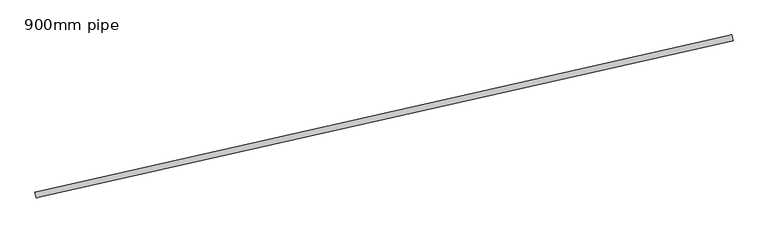
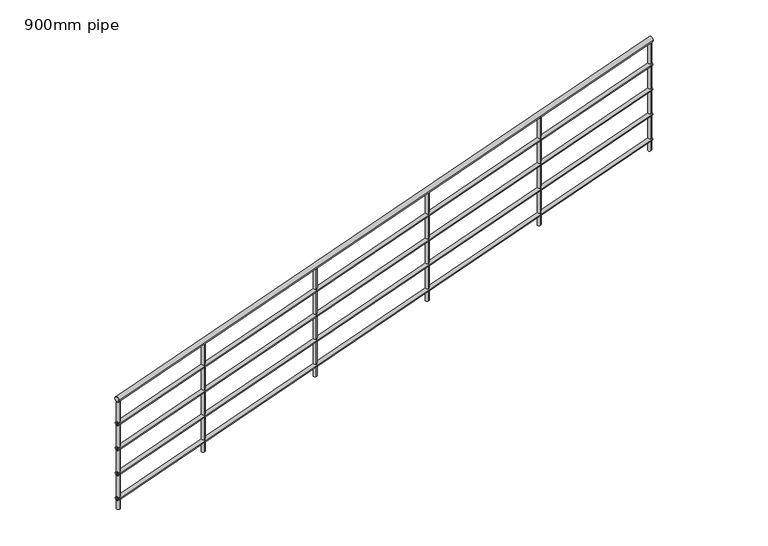
"""IFC4 building model written with IfcOpenShell, lengths in millimetres: railing geometry, 900mm pipe."""

from ifc_helpers import new_model, si_unit, frame, origin, place, context, project, spatial, ellipse_curve, source, transform, mapped, element, save
from ifc_brep_helpers import plane_surface, cylinder_surface, advanced_brep


def railing_900mm_pipe_159dfbff(model_context):
    return source(origin(), model_context, "Body", "AdvancedBrep", [
        advanced_brep(
        [(-2182.1023588, 6218.0215053, 750.9605527), (-2190.9010516, 6257.041795, 750.9605527), (-6836.2591036, 5168.5547884, 129.964723), (-6845.0577963, 5207.575078, 129.964723)],
        [
            (0, 1, ellipse_curve(frame((-2186.5017052, 6237.5316502, 750.9605527), z_axis=(0.9755072416374729, 0.21996731919275922, 0.0), x_axis=(0.0, 0.0, 1.0)), 20.1687052, 20.0)),
            (1, 0, ellipse_curve(frame((-2186.5017052, 6237.5316502, 750.9605527), z_axis=(0.9755072416374729, 0.21996731919275922, 0.0), x_axis=(0.0, 0.0, 1.0)), 20.1687052, 20.0)),
            (2, 3, ellipse_curve(frame((-6840.6584499, 5188.0649332, 129.964723), z_axis=(-0.9755072416374729, -0.21996731919275922, 0.0), x_axis=(0.0, 0.0, 1.0)), 20.1687052, 20.0)),
            (3, 2, ellipse_curve(frame((-6840.6584499, 5188.0649332, 129.964723), z_axis=(-0.9755072416374729, -0.21996731919275922, 0.0), x_axis=(0.0, 0.0, 1.0)), 20.1687052, 20.0)),
            (0, 2),
            (3, 1),
        ],
        [
            plane_surface(frame((-2186.5017052, 6237.5316502, 771.1292579), z_axis=(0.9755072416374729, 0.21996731919275922, 0.0), x_axis=(0.21996731919275922, -0.9755072416374729, 0.0))),
            plane_surface(frame((-6840.6584499, 5188.0649332, 150.1334282), z_axis=(-0.9755072416374729, -0.21996731919275922, 0.0), x_axis=(0.21996731919275922, -0.9755072416374729, 0.0))),
            cylinder_surface(frame((-2183.9835028, 6238.0994801, 751.2965519), z_axis=(0.9673474139235202, 0.2181273580415739, 0.1290714393244331), x_axis=(-0.21996731919275928, 0.9755072416374728, 0.0)), 20.0),
        ],
        [
            (0, [[1, 2]]),
            (1, [[3, 4]]),
            (2, [[-1, 5, -4, 6]]),
            (2, [[-2, -6, -3, -5]]),
        ],
    ),
        advanced_brep(
        [(-2183.2021954, 6222.8990415, 556.002729), (-2189.801215, 6252.1642588, 556.002729), (-6837.3589402, 5173.4323246, -64.9931007), (-6843.9579597, 5202.6975418, -64.9931007)],
        [
            (0, 1, ellipse_curve(frame((-2186.5017052, 6237.5316502, 556.002729), z_axis=(0.9755072416374729, 0.21996731919275922, 0.0), x_axis=(0.0, 0.0, 1.0)), 15.1265289, 15.0)),
            (1, 0, ellipse_curve(frame((-2186.5017052, 6237.5316502, 556.002729), z_axis=(0.9755072416374729, 0.21996731919275922, 0.0), x_axis=(0.0, 0.0, 1.0)), 15.1265289, 15.0)),
            (2, 3, ellipse_curve(frame((-6840.6584499, 5188.0649332, -64.9931007), z_axis=(-0.9755072416374729, -0.21996731919275922, 0.0), x_axis=(0.0, 0.0, 1.0)), 15.1265289, 15.0)),
            (3, 2, ellipse_curve(frame((-6840.6584499, 5188.0649332, -64.9931007), z_axis=(-0.9755072416374729, -0.21996731919275922, 0.0), x_axis=(0.0, 0.0, 1.0)), 15.1265289, 15.0)),
            (0, 2),
            (3, 1),
        ],
        [
            plane_surface(frame((-2186.5017052, 6237.5316502, 571.1292579), z_axis=(0.9755072416374729, 0.21996731919275922, 0.0), x_axis=(0.21996731919275922, -0.9755072416374729, 0.0))),
            plane_surface(frame((-6840.6584499, 5188.0649332, -49.8665718), z_axis=(-0.9755072416374729, -0.21996731919275922, 0.0), x_axis=(0.21996731919275922, -0.9755072416374729, 0.0))),
            cylinder_surface(frame((-2184.6130534, 6237.9575226, 556.2547284), z_axis=(0.9673474139235202, 0.2181273580415739, 0.1290714393244331), x_axis=(-0.21996731919275928, 0.9755072416374728, 0.0)), 15.0),
        ],
        [
            (0, [[1, 2]]),
            (1, [[3, 4]]),
            (2, [[-1, 5, -4, 6]]),
            (2, [[-2, -6, -3, -5]]),
        ],
    ),
        advanced_brep(
        [(-2183.2021954, 6222.8990415, 356.002729), (-2189.801215, 6252.1642588, 356.002729), (-6837.3589402, 5173.4323246, -264.9931007), (-6843.9579597, 5202.6975418, -264.9931007)],
        [
            (0, 1, ellipse_curve(frame((-2186.5017052, 6237.5316502, 356.002729), z_axis=(0.9755072416374729, 0.21996731919275922, 0.0), x_axis=(0.0, 0.0, 1.0)), 15.1265289, 15.0)),
            (1, 0, ellipse_curve(frame((-2186.5017052, 6237.5316502, 356.002729), z_axis=(0.9755072416374729, 0.21996731919275922, 0.0), x_axis=(0.0, 0.0, 1.0)), 15.1265289, 15.0)),
            (2, 3, ellipse_curve(frame((-6840.6584499, 5188.0649332, -264.9931007), z_axis=(-0.9755072416374729, -0.21996731919275922, 0.0), x_axis=(0.0, 0.0, 1.0)), 15.1265289, 15.0)),
            (3, 2, ellipse_curve(frame((-6840.6584499, 5188.0649332, -264.9931007), z_axis=(-0.9755072416374729, -0.21996731919275922, 0.0), x_axis=(0.0, 0.0, 1.0)), 15.1265289, 15.0)),
            (0, 2),
            (3, 1),
        ],
        [
            plane_surface(frame((-2186.5017052, 6237.5316502, 371.1292579), z_axis=(0.9755072416374729, 0.21996731919275922, 0.0), x_axis=(0.21996731919275922, -0.9755072416374729, 0.0))),
            plane_surface(frame((-6840.6584499, 5188.0649332, -249.8665718), z_axis=(-0.9755072416374729, -0.21996731919275922, 0.0), x_axis=(0.21996731919275922, -0.9755072416374729, 0.0))),
            cylinder_surface(frame((-2184.6130534, 6237.9575226, 356.2547284), z_axis=(0.9673474139235202, 0.2181273580415739, 0.1290714393244331), x_axis=(-0.21996731919275928, 0.9755072416374728, 0.0)), 15.0),
        ],
        [
            (0, [[1, 2]]),
            (1, [[3, 4]]),
            (2, [[-1, 5, -4, 6]]),
            (2, [[-2, -6, -3, -5]]),
        ],
    ),
        advanced_brep(
        [(-2183.2021954, 6222.8990415, 156.002729), (-2189.801215, 6252.1642588, 156.002729), (-6837.3589402, 5173.4323246, -464.9931007), (-6843.9579597, 5202.6975418, -464.9931007)],
        [
            (0, 1, ellipse_curve(frame((-2186.5017052, 6237.5316502, 156.002729), z_axis=(0.9755072416374729, 0.21996731919275922, 0.0), x_axis=(0.0, 0.0, 1.0)), 15.1265289, 15.0)),
            (1, 0, ellipse_curve(frame((-2186.5017052, 6237.5316502, 156.002729), z_axis=(0.9755072416374729, 0.21996731919275922, 0.0), x_axis=(0.0, 0.0, 1.0)), 15.1265289, 15.0)),
            (2, 3, ellipse_curve(frame((-6840.6584499, 5188.0649332, -464.9931007), z_axis=(-0.9755072416374729, -0.21996731919275922, 0.0), x_axis=(0.0, 0.0, 1.0)), 15.1265289, 15.0)),
            (3, 2, ellipse_curve(frame((-6840.6584499, 5188.0649332, -464.9931007), z_axis=(-0.9755072416374729, -0.21996731919275922, 0.0), x_axis=(0.0, 0.0, 1.0)), 15.1265289, 15.0)),
            (0, 2),
            (3, 1),
        ],
        [
            plane_surface(frame((-2186.5017052, 6237.5316502, 171.1292579), z_axis=(0.9755072416374729, 0.21996731919275922, 0.0), x_axis=(0.21996731919275922, -0.9755072416374729, 0.0))),
            plane_surface(frame((-6840.6584499, 5188.0649332, -449.8665718), z_axis=(-0.9755072416374729, -0.21996731919275922, 0.0), x_axis=(0.21996731919275922, -0.9755072416374729, 0.0))),
            cylinder_surface(frame((-2184.6130534, 6237.9575226, 156.2547284), z_axis=(0.9673474139235202, 0.2181273580415739, 0.1290714393244331), x_axis=(-0.21996731919275928, 0.9755072416374728, 0.0)), 15.0),
        ],
        [
            (0, [[1, 2]]),
            (1, [[3, 4]]),
            (2, [[-1, 5, -4, 6]]),
            (2, [[-2, -6, -3, -5]]),
        ],
    ),
        advanced_brep(
        [(-2183.2021954, 6222.8990415, -43.997271), (-2189.801215, 6252.1642588, -43.997271), (-6837.3589402, 5173.4323246, -664.9931007), (-6843.9579597, 5202.6975418, -664.9931007)],
        [
            (0, 1, ellipse_curve(frame((-2186.5017052, 6237.5316502, -43.997271), z_axis=(0.9755072416374729, 0.21996731919275922, 0.0), x_axis=(0.0, 0.0, 1.0)), 15.1265289, 15.0)),
            (1, 0, ellipse_curve(frame((-2186.5017052, 6237.5316502, -43.997271), z_axis=(0.9755072416374729, 0.21996731919275922, 0.0), x_axis=(0.0, 0.0, 1.0)), 15.1265289, 15.0)),
            (2, 3, ellipse_curve(frame((-6840.6584499, 5188.0649332, -664.9931007), z_axis=(-0.9755072416374729, -0.21996731919275922, 0.0), x_axis=(0.0, 0.0, 1.0)), 15.1265289, 15.0)),
            (3, 2, ellipse_curve(frame((-6840.6584499, 5188.0649332, -664.9931007), z_axis=(-0.9755072416374729, -0.21996731919275922, 0.0), x_axis=(0.0, 0.0, 1.0)), 15.1265289, 15.0)),
            (0, 2),
            (3, 1),
        ],
        [
            plane_surface(frame((-2186.5017052, 6237.5316502, -28.8707421), z_axis=(0.9755072416374729, 0.21996731919275922, 0.0), x_axis=(0.21996731919275922, -0.9755072416374729, 0.0))),
            plane_surface(frame((-6840.6584499, 5188.0649332, -649.8665718), z_axis=(-0.9755072416374729, -0.21996731919275922, 0.0), x_axis=(0.21996731919275922, -0.9755072416374729, 0.0))),
            cylinder_surface(frame((-2184.6130534, 6237.9575226, -43.7452716), z_axis=(0.9673474139235202, 0.2181273580415739, 0.1290714393244331), x_axis=(-0.21996731919275928, 0.9755072416374728, 0.0)), 15.0),
        ],
        [
            (0, [[1, 2]]),
            (1, [[3, 4]]),
            (2, [[-1, 5, -4, 6]]),
            (2, [[-2, -6, -3, -5]]),
        ],
    ),
        advanced_brep(
        [(-6091.2802633, 5369.8562139, 210.4884956), (-6091.2802633, 5369.8562139, -649.5115044), (-6085.7810803, 5345.4685329, -649.5115044), (-6085.7810803, 5345.4685329, 210.4884956)],
        [
            (0, 1),
            (1, 2, ellipse_curve(frame((-6088.5306718, 5357.6623734, -649.5115044), z_axis=(-0.1259321543512439, -0.02839646617724072, 0.9916323578872864), x_axis=(0.96734454616109, 0.21812671138926115, 0.12909402306420142)), 12.6054781, 12.5)),
            (2, 3),
            (3, 0, ellipse_curve(frame((-6088.5306718, 5357.6623734, 210.4884956), z_axis=(0.1259321543512451, 0.02839646617724099, -0.9916323578872863), x_axis=(0.9673445461610899, 0.21812671138926112, 0.12909402306420192)), 12.6054781, 12.5)),
            (0, 3, ellipse_curve(frame((-6088.5306718, 5357.6623734, 210.4884956), z_axis=(0.1259321543512451, 0.02839646617724099, -0.9916323578872863), x_axis=(0.9673445461610899, 0.21812671138926112, 0.12909402306420192)), 12.6054781, 12.5)),
            (2, 1, ellipse_curve(frame((-6088.5306718, 5357.6623734, -649.5115044), z_axis=(-0.1259321543512439, -0.02839646617724072, 0.9916323578872864), x_axis=(0.96734454616109, 0.21812671138926115, 0.12909402306420142)), 12.6054781, 12.5)),
        ],
        [
            cylinder_surface(frame((-6088.5306718, 5357.6623734, -749.5115044), z_axis=(0.0, 0.0, 1.0), x_axis=(0.2199673191927592, -0.9755072416374728, 0.0)), 12.5),
            plane_surface(frame((-6107.4191698, 5327.7755094, 207.2339118), z_axis=(-0.1259321543512451, -0.02839646617724099, 0.9916323578872863), x_axis=(-0.2199673191927592, 0.9755072416374728, 0.0))),
            plane_surface(frame((-6058.6438078, 5338.7738753, -646.2569207), z_axis=(0.1259321543512439, 0.02839646617724072, -0.9916323578872864), x_axis=(-0.2199673191927592, 0.9755072416374728, 0.0))),
        ],
        [
            (0, [[1, 2, 3, 4]]),
            (0, [[-1, 5, -3, 6]]),
            (1, [[-4, -5]]),
            (2, [[-2, -6]]),
        ],
    ),
        advanced_brep(
        [(-5115.7730216, 5589.8235331, 340.6486861), (-5115.7730216, 5589.8235331, -519.3513139), (-5110.2738387, 5565.4358521, -519.3513139), (-5110.2738387, 5565.4358521, 340.6486861)],
        [
            (0, 1),
            (1, 2, ellipse_curve(frame((-5113.0234301, 5577.6296926, -519.3513139), z_axis=(-0.1259321543512439, -0.02839646617724072, 0.9916323578872864), x_axis=(0.96734454616109, 0.21812671138926115, 0.12909402306420142)), 12.6054781, 12.5)),
            (2, 3),
            (3, 0, ellipse_curve(frame((-5113.0234301, 5577.6296926, 340.6486861), z_axis=(0.1259321543512451, 0.02839646617724099, -0.9916323578872863), x_axis=(0.9673445461610899, 0.21812671138926112, 0.12909402306420192)), 12.6054781, 12.5)),
            (0, 3, ellipse_curve(frame((-5113.0234301, 5577.6296926, 340.6486861), z_axis=(0.1259321543512451, 0.02839646617724099, -0.9916323578872863), x_axis=(0.9673445461610899, 0.21812671138926112, 0.12909402306420192)), 12.6054781, 12.5)),
            (2, 1, ellipse_curve(frame((-5113.0234301, 5577.6296926, -519.3513139), z_axis=(-0.1259321543512439, -0.02839646617724072, 0.9916323578872864), x_axis=(0.96734454616109, 0.21812671138926115, 0.12909402306420142)), 12.6054781, 12.5)),
        ],
        [
            cylinder_surface(frame((-5113.0234301, 5577.6296926, -619.3513139), z_axis=(0.0, 0.0, 1.0), x_axis=(0.2199673191927592, -0.9755072416374728, 0.0)), 12.5),
            plane_surface(frame((-5131.9119282, 5547.7428286, 337.3941024), z_axis=(-0.1259321543512451, -0.02839646617724099, 0.9916323578872863), x_axis=(-0.2199673191927592, 0.9755072416374728, 0.0))),
            plane_surface(frame((-5083.1365661, 5558.7411945, -516.0967301), z_axis=(0.1259321543512439, 0.02839646617724072, -0.9916323578872864), x_axis=(-0.2199673191927592, 0.9755072416374728, 0.0))),
        ],
        [
            (0, [[1, 2, 3, 4]]),
            (0, [[-1, 5, -3, 6]]),
            (1, [[-4, -5]]),
            (2, [[-2, -6]]),
        ],
    ),
        advanced_brep(
        [(-4140.26578, 5809.7908523, 470.8088767), (-4140.26578, 5809.7908523, -389.1911233), (-4134.766597, 5785.4031712, -389.1911233), (-4134.766597, 5785.4031712, 470.8088767)],
        [
            (0, 1),
            (1, 2, ellipse_curve(frame((-4137.5161885, 5797.5970118, -389.1911233), z_axis=(-0.1259321543512439, -0.02839646617724072, 0.9916323578872864), x_axis=(0.96734454616109, 0.21812671138926115, 0.12909402306420142)), 12.6054781, 12.5)),
            (2, 3),
            (3, 0, ellipse_curve(frame((-4137.5161885, 5797.5970118, 470.8088767), z_axis=(0.1259321543512451, 0.02839646617724099, -0.9916323578872863), x_axis=(0.9673445461610899, 0.21812671138926112, 0.12909402306420192)), 12.6054781, 12.5)),
            (0, 3, ellipse_curve(frame((-4137.5161885, 5797.5970118, 470.8088767), z_axis=(0.1259321543512451, 0.02839646617724099, -0.9916323578872863), x_axis=(0.9673445461610899, 0.21812671138926112, 0.12909402306420192)), 12.6054781, 12.5)),
            (2, 1, ellipse_curve(frame((-4137.5161885, 5797.5970118, -389.1911233), z_axis=(-0.1259321543512439, -0.02839646617724072, 0.9916323578872864), x_axis=(0.96734454616109, 0.21812671138926115, 0.12909402306420142)), 12.6054781, 12.5)),
        ],
        [
            cylinder_surface(frame((-4137.5161885, 5797.5970118, -489.1911233), z_axis=(0.0, 0.0, 1.0), x_axis=(0.2199673191927592, -0.9755072416374728, 0.0)), 12.5),
            plane_surface(frame((-4156.4046866, 5767.7101477, 467.554293), z_axis=(-0.1259321543512451, -0.02839646617724099, 0.9916323578872863), x_axis=(-0.2199673191927592, 0.9755072416374728, 0.0))),
            plane_surface(frame((-4107.6293245, 5778.7085137, -385.9365395), z_axis=(0.1259321543512439, 0.02839646617724072, -0.9916323578872864), x_axis=(-0.2199673191927592, 0.9755072416374728, 0.0))),
        ],
        [
            (0, [[1, 2, 3, 4]]),
            (0, [[-1, 5, -3, 6]]),
            (1, [[-4, -5]]),
            (2, [[-2, -6]]),
        ],
    ),
        advanced_brep(
        [(-3164.7585384, 6029.7581715, 600.9690673), (-3164.7585384, 6029.7581715, -259.0309327), (-3159.2593554, 6005.3704904, -259.0309327), (-3159.2593554, 6005.3704904, 600.9690673)],
        [
            (0, 1),
            (1, 2, ellipse_curve(frame((-3162.0089469, 6017.564331, -259.0309327), z_axis=(-0.1259321543512439, -0.02839646617724072, 0.9916323578872864), x_axis=(0.96734454616109, 0.21812671138926115, 0.12909402306420142)), 12.6054781, 12.5)),
            (2, 3),
            (3, 0, ellipse_curve(frame((-3162.0089469, 6017.564331, 600.9690673), z_axis=(0.1259321543512451, 0.02839646617724099, -0.9916323578872863), x_axis=(0.9673445461610899, 0.21812671138926112, 0.12909402306420192)), 12.6054781, 12.5)),
            (0, 3, ellipse_curve(frame((-3162.0089469, 6017.564331, 600.9690673), z_axis=(0.1259321543512451, 0.02839646617724099, -0.9916323578872863), x_axis=(0.9673445461610899, 0.21812671138926112, 0.12909402306420192)), 12.6054781, 12.5)),
            (2, 1, ellipse_curve(frame((-3162.0089469, 6017.564331, -259.0309327), z_axis=(-0.1259321543512439, -0.02839646617724072, 0.9916323578872864), x_axis=(0.96734454616109, 0.21812671138926115, 0.12909402306420142)), 12.6054781, 12.5)),
        ],
        [
            cylinder_surface(frame((-3162.0089469, 6017.564331, -359.0309327), z_axis=(0.0, 0.0, 1.0), x_axis=(0.2199673191927592, -0.9755072416374728, 0.0)), 12.5),
            plane_surface(frame((-3180.8974449, 5987.6774669, 597.7144835), z_axis=(-0.1259321543512451, -0.02839646617724099, 0.9916323578872863), x_axis=(-0.2199673191927592, 0.9755072416374728, 0.0))),
            plane_surface(frame((-3132.1220829, 5998.6758329, -255.7763489), z_axis=(0.1259321543512439, 0.02839646617724072, -0.9916323578872864), x_axis=(-0.2199673191927592, 0.9755072416374728, 0.0))),
        ],
        [
            (0, [[1, 2, 3, 4]]),
            (0, [[-1, 5, -3, 6]]),
            (1, [[-4, -5]]),
            (2, [[-2, -6]]),
        ],
    ),
        advanced_brep(
        [(-6831.2142009, 5203.0083652, 111.7604306), (-6831.2142009, 5203.0083652, -748.2395694), (-6825.7150179, 5178.6206842, -748.2395694), (-6825.7150179, 5178.6206842, 111.7604306)],
        [
            (0, 1),
            (1, 2, ellipse_curve(frame((-6828.4646094, 5190.8145247, -748.2395694), z_axis=(-0.1259321543512439, -0.02839646617724072, 0.9916323578872864), x_axis=(0.96734454616109, 0.21812671138926115, 0.12909402306420142)), 12.6054781, 12.5)),
            (2, 3),
            (3, 0, ellipse_curve(frame((-6828.4646094, 5190.8145247, 111.7604306), z_axis=(0.1259321543512451, 0.02839646617724099, -0.9916323578872863), x_axis=(0.9673445461610899, 0.21812671138926112, 0.12909402306420192)), 12.6054781, 12.5)),
            (0, 3, ellipse_curve(frame((-6828.4646094, 5190.8145247, 111.7604306), z_axis=(0.1259321543512451, 0.02839646617724099, -0.9916323578872863), x_axis=(0.9673445461610899, 0.21812671138926112, 0.12909402306420192)), 12.6054781, 12.5)),
            (2, 1, ellipse_curve(frame((-6828.4646094, 5190.8145247, -748.2395694), z_axis=(-0.1259321543512439, -0.02839646617724072, 0.9916323578872864), x_axis=(0.96734454616109, 0.21812671138926115, 0.12909402306420142)), 12.6054781, 12.5)),
        ],
        [
            cylinder_surface(frame((-6828.4646094, 5190.8145247, -848.2395694), z_axis=(0.0, 0.0, 1.0), x_axis=(0.2199673191927592, -0.9755072416374728, 0.0)), 12.5),
            plane_surface(frame((-6847.3531075, 5160.9276607, 108.5058468), z_axis=(-0.1259321543512451, -0.02839646617724099, 0.9916323578872863), x_axis=(-0.2199673191927592, 0.9755072416374728, 0.0))),
            plane_surface(frame((-6798.5777454, 5171.9260266, -744.9849856), z_axis=(0.1259321543512439, 0.02839646617724072, -0.9916323578872864), x_axis=(-0.2199673191927592, 0.9755072416374728, 0.0))),
        ],
        [
            (0, [[1, 2, 3, 4]]),
            (0, [[-1, 5, -3, 6]]),
            (1, [[-4, -5]]),
            (2, [[-2, -6]]),
        ],
    ),
        advanced_brep(
        [(-2201.4451372, 6246.9758992, 729.5022555), (-2201.4451372, 6246.9758992, -130.4977445), (-2195.9459543, 6222.5882181, -130.4977445), (-2195.9459543, 6222.5882181, 729.5022555)],
        [
            (0, 1),
            (1, 2, ellipse_curve(frame((-2198.6955458, 6234.7820587, -130.4977445), z_axis=(-0.1259321543512439, -0.02839646617724072, 0.9916323578872864), x_axis=(0.96734454616109, 0.21812671138926115, 0.12909402306420142)), 12.6054781, 12.5)),
            (2, 3),
            (3, 0, ellipse_curve(frame((-2198.6955458, 6234.7820587, 729.5022555), z_axis=(0.1259321543512451, 0.02839646617724099, -0.9916323578872863), x_axis=(0.9673445461610899, 0.21812671138926112, 0.12909402306420192)), 12.6054781, 12.5)),
            (0, 3, ellipse_curve(frame((-2198.6955458, 6234.7820587, 729.5022555), z_axis=(0.1259321543512451, 0.02839646617724099, -0.9916323578872863), x_axis=(0.9673445461610899, 0.21812671138926112, 0.12909402306420192)), 12.6054781, 12.5)),
            (2, 1, ellipse_curve(frame((-2198.6955458, 6234.7820587, -130.4977445), z_axis=(-0.1259321543512439, -0.02839646617724072, 0.9916323578872864), x_axis=(0.96734454616109, 0.21812671138926115, 0.12909402306420142)), 12.6054781, 12.5)),
        ],
        [
            cylinder_surface(frame((-2198.6955458, 6234.7820587, -230.4977445), z_axis=(0.0, 0.0, 1.0), x_axis=(0.2199673191927592, -0.9755072416374728, 0.0)), 12.5),
            plane_surface(frame((-2217.5840438, 6204.8951946, 726.2476717), z_axis=(-0.1259321543512451, -0.02839646617724099, 0.9916323578872863), x_axis=(-0.2199673191927592, 0.9755072416374728, 0.0))),
            plane_surface(frame((-2168.8086817, 6215.8935606, -127.2431607), z_axis=(0.1259321543512439, 0.02839646617724072, -0.9916323578872864), x_axis=(-0.2199673191927592, 0.9755072416374728, 0.0))),
        ],
        [
            (0, [[1, 2, 3, 4]]),
            (0, [[-1, 5, -3, 6]]),
            (1, [[-4, -5]]),
            (2, [[-2, -6]]),
        ],
    ),
    ])


if __name__ == "__main__":
    model = new_model("IFC4")
    model_context = context("Model", 3, world=origin())
    ifc_project = project(units=[si_unit("LENGTHUNIT", "METRE", prefix="MILLI")], contexts=[model_context])
    site = spatial("IfcSite", under=ifc_project)
    building = spatial("IfcBuilding", under=site)
    placement = place(None, origin())
    railing_900mm_pipe_shape = railing_900mm_pipe_159dfbff(model_context)
    element("IfcRailing", 1, ObjectType="900mm pipe", at=placement, inside=building, context=model_context, shape_type="MappedRepresentation", body=[
        mapped(railing_900mm_pipe_shape, transform((0.0, 0.0, 0.0), x_axis=(1.0, 0.0, 0.0), y_axis=(0.0, 1.0, 0.0), z_axis=(0.0, 0.0, 1.0))),
    ])
    save(model, "model.ifc")
